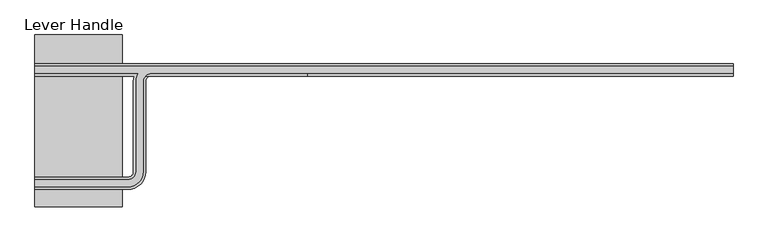
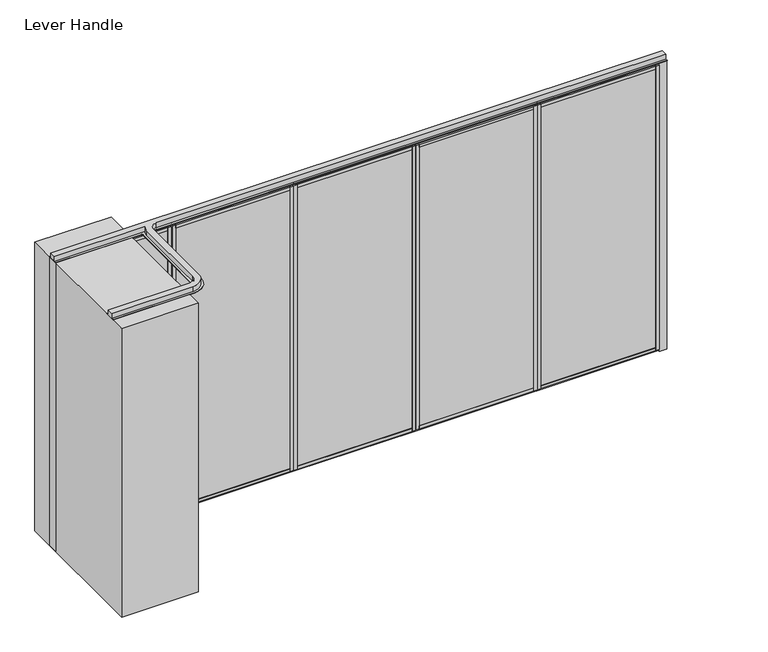
"""IFC4 building model written with IfcOpenShell, lengths in millimetres: proxy geometry, Lever Handle."""

from ifc_helpers import new_model, si_unit, point, frame, frame_2d, origin, origin_with_axes, place, context, project, spatial, polyline, circle_curve, trimmed, segment, composite_curve, outline, extrude, source, transform, mapped, element, save
from ifc_brep_helpers import plane_surface, cylinder_surface, revolved_surface, advanced_brep


def lever_handle_4c6be2f0(model_context):
    return source(origin(), model_context, "Body", "SolidModel", [
        extrude(outline(polyline([(0.0, 9.525), (1144.0795, 9.525), (1144.0795, 0.0), (0.0, 0.0), (0.0, 9.525)])), frame((3320.7370497, -36.5125, 52.3875), z_axis=(0.0, -2.07123207474069e-12, 1.0), x_axis=(-1.0, 0.0, 0.0)), (0.0, 0.0, 1.0), 2940.05),
        extrude(outline(polyline([(3320.7370497, 36.5125), (2176.6575497, 36.5125), (2176.6575497, 44.45), (3320.7370497, 44.45), (3320.7370497, 36.5125)])), frame((0.0, 0.0, 52.3875), z_axis=(0.0, 0.0, 1.0), x_axis=(1.0, 0.0, 0.0)), (0.0, 0.0, 1.0), 2940.05),
        extrude(outline(polyline([(3355.6620497, -34.13125), (2141.7325497, -34.13125), (2141.7325497, 34.13125), (3355.6620497, 34.13125), (3355.6620497, -34.13125)])), origin_with_axes(), (0.0, 0.0, 1.0), 22.225),
        extrude(outline(polyline([(3355.6620497, -34.13125), (2141.7325497, -34.13125), (2141.7325497, 34.13125), (3355.6620497, 34.13125), (3355.6620497, -34.13125)])), frame((0.0, 0.0, 3022.6), z_axis=(0.0, 0.0, 1.0), x_axis=(1.0, 0.0, 0.0)), (0.0, 0.0, 1.0), 22.225),
        extrude(outline(polyline([(2176.6575497, -50.8), (2141.7325497, -50.8), (2141.7325497, 50.8), (2176.6575497, 50.8), (2176.6575497, -50.8)])), frame((0.0, 0.0, 22.225), z_axis=(0.0, 0.0, 1.0), x_axis=(1.0, 0.0, 0.0)), (0.0, 0.0, 1.0), 3000.375),
        extrude(outline(polyline([(3320.7370497, -50.8), (3320.7370497, 50.8), (3355.6620497, 50.8), (3355.6620497, -50.8), (3320.7370497, -50.8)])), frame((0.0, 0.0, 22.225), z_axis=(0.0, 0.0, 1.0), x_axis=(1.0, 0.0, 0.0)), (0.0, 0.0, 1.0), 3000.375),
        extrude(outline(polyline([(36.5125, 2906.7125), (-36.5125, 2906.7125), (-36.5125, 2992.4375), (-50.8, 2992.4375), (-50.8, 3022.6), (50.8, 3022.6), (50.8, 2992.4375), (36.5125, 2992.4375), (36.5125, 2906.7125)])), frame((2176.6575497, 0.0, 0.0), z_axis=(1.0, 0.0, 0.0), x_axis=(0.0, 1.0, 0.0)), (0.0, 0.0, 1.0), 1144.0795),
        extrude(outline(polyline([(50.8, 22.225), (-50.8, 22.225), (-50.8, 52.3875), (-36.5125, 52.3875), (-36.5125, 138.1125), (36.5125, 138.1125), (36.5125, 52.3875), (50.8, 52.3875), (50.8, 22.225)])), frame((2176.6575497, 0.0, 0.0), z_axis=(1.0, 0.0, 0.0), x_axis=(0.0, 1.0, 0.0)), (0.0, 0.0, 1.0), 1144.0795),
        extrude(outline(polyline([(0.0, 9.525), (1144.0795, 9.525), (1144.0795, 0.0), (0.0, 0.0), (0.0, 9.525)])), frame((2106.2995497, -36.5125, 52.3875), z_axis=(0.0, -2.07123207474069e-12, 1.0), x_axis=(-1.0, 0.0, 0.0)), (0.0, 0.0, 1.0), 2940.05),
        extrude(outline(polyline([(2106.2995497, 36.5125), (962.2200497, 36.5125), (962.2200497, 44.45), (2106.2995497, 44.45), (2106.2995497, 36.5125)])), frame((0.0, 0.0, 52.3875), z_axis=(0.0, 0.0, 1.0), x_axis=(1.0, 0.0, 0.0)), (0.0, 0.0, 1.0), 2940.05),
        extrude(outline(polyline([(2141.2245497, -34.13125), (927.2950497, -34.13125), (927.2950497, 34.13125), (2141.2245497, 34.13125), (2141.2245497, -34.13125)])), origin_with_axes(), (0.0, 0.0, 1.0), 22.225),
        extrude(outline(polyline([(2141.2245497, -34.13125), (927.2950497, -34.13125), (927.2950497, 34.13125), (2141.2245497, 34.13125), (2141.2245497, -34.13125)])), frame((0.0, 0.0, 3022.6), z_axis=(0.0, 0.0, 1.0), x_axis=(1.0, 0.0, 0.0)), (0.0, 0.0, 1.0), 22.225),
        extrude(outline(polyline([(962.2200497, -50.8), (927.2950497, -50.8), (927.2950497, 50.8), (962.2200497, 50.8), (962.2200497, -50.8)])), frame((0.0, 0.0, 22.225), z_axis=(0.0, 0.0, 1.0), x_axis=(1.0, 0.0, 0.0)), (0.0, 0.0, 1.0), 3000.375),
        extrude(outline(polyline([(2106.2995497, -50.8), (2106.2995497, 50.8), (2141.2245497, 50.8), (2141.2245497, -50.8), (2106.2995497, -50.8)])), frame((0.0, 0.0, 22.225), z_axis=(0.0, 0.0, 1.0), x_axis=(1.0, 0.0, 0.0)), (0.0, 0.0, 1.0), 3000.375),
        extrude(outline(polyline([(36.5125, 2906.7125), (-36.5125, 2906.7125), (-36.5125, 2992.4375), (-50.8, 2992.4375), (-50.8, 3022.6), (50.8, 3022.6), (50.8, 2992.4375), (36.5125, 2992.4375), (36.5125, 2906.7125)])), frame((962.2200497, 0.0, 0.0), z_axis=(1.0, 0.0, 0.0), x_axis=(0.0, 1.0, 0.0)), (0.0, 0.0, 1.0), 1144.0795),
        extrude(outline(polyline([(50.8, 22.225), (-50.8, 22.225), (-50.8, 52.3875), (-36.5125, 52.3875), (-36.5125, 138.1125), (36.5125, 138.1125), (36.5125, 52.3875), (50.8, 52.3875), (50.8, 22.225)])), frame((962.2200497, 0.0, 0.0), z_axis=(1.0, 0.0, 0.0), x_axis=(0.0, 1.0, 0.0)), (0.0, 0.0, 1.0), 1144.0795),
        extrude(outline(polyline([(0.0, 9.525), (1144.0795, 9.525), (1144.0795, 0.0), (0.0, 0.0), (0.0, 9.525)])), frame((4535.1745497, -36.5125, 52.3875), z_axis=(0.0, -2.07123207474069e-12, 1.0), x_axis=(-1.0, 0.0, 0.0)), (0.0, 0.0, 1.0), 2940.05),
        extrude(outline(polyline([(4535.1745497, 36.5125), (3391.0950497, 36.5125), (3391.0950497, 44.45), (4535.1745497, 44.45), (4535.1745497, 36.5125)])), frame((0.0, 0.0, 52.3875), z_axis=(0.0, 0.0, 1.0), x_axis=(1.0, 0.0, 0.0)), (0.0, 0.0, 1.0), 2940.05),
        extrude(outline(polyline([(4570.0995497, -34.13125), (3356.1700497, -34.13125), (3356.1700497, 34.13125), (4570.0995497, 34.13125), (4570.0995497, -34.13125)])), origin_with_axes(), (0.0, 0.0, 1.0), 22.225),
        extrude(outline(polyline([(4570.0995497, -34.13125), (3356.1700497, -34.13125), (3356.1700497, 34.13125), (4570.0995497, 34.13125), (4570.0995497, -34.13125)])), frame((0.0, 0.0, 3022.6), z_axis=(0.0, 0.0, 1.0), x_axis=(1.0, 0.0, 0.0)), (0.0, 0.0, 1.0), 22.225),
        extrude(outline(polyline([(3391.0950497, -50.8), (3356.1700497, -50.8), (3356.1700497, 50.8), (3391.0950497, 50.8), (3391.0950497, -50.8)])), frame((0.0, 0.0, 22.225), z_axis=(0.0, 0.0, 1.0), x_axis=(1.0, 0.0, 0.0)), (0.0, 0.0, 1.0), 3000.375),
        extrude(outline(polyline([(4535.1745497, -50.8), (4535.1745497, 50.8), (4570.0995497, 50.8), (4570.0995497, -50.8), (4535.1745497, -50.8)])), frame((0.0, 0.0, 22.225), z_axis=(0.0, 0.0, 1.0), x_axis=(1.0, 0.0, 0.0)), (0.0, 0.0, 1.0), 3000.375),
        extrude(outline(polyline([(36.5125, 2906.7125), (-36.5125, 2906.7125), (-36.5125, 2992.4375), (-50.8, 2992.4375), (-50.8, 3022.6), (50.8, 3022.6), (50.8, 2992.4375), (36.5125, 2992.4375), (36.5125, 2906.7125)])), frame((3391.0950497, 0.0, 0.0), z_axis=(1.0, 0.0, 0.0), x_axis=(0.0, 1.0, 0.0)), (0.0, 0.0, 1.0), 1144.0795),
        extrude(outline(polyline([(50.8, 22.225), (-50.8, 22.225), (-50.8, 52.3875), (-36.5125, 52.3875), (-36.5125, 138.1125), (36.5125, 138.1125), (36.5125, 52.3875), (50.8, 52.3875), (50.8, 22.225)])), frame((3391.0950497, 0.0, 0.0), z_axis=(1.0, 0.0, 0.0), x_axis=(0.0, 1.0, 0.0)), (0.0, 0.0, 1.0), 1144.0795),
        extrude(outline(composite_curve([segment(polyline([(1083.6786358, -490.9411058), (1059.8358473, -490.9411058), (1059.8358473, -391.2782498)]), True, "CONTINUOUS"), segment(trimmed(circle_curve(frame_2d((1071.7572415, -391.2782498)), 11.9213943), [point((1059.8358473, -391.2782498))], [point((1083.6786358, -391.2782498))], False, "CARTESIAN"), True, "CONTINUOUS"), segment(polyline([(1083.6786358, -391.2782498), (1083.6786358, -490.9411058)]), True, "CONTINUOUS")], self_intersect=False)), frame((0.0, -50.8, 0.0), z_axis=(0.0, 1.0, 0.0), x_axis=(0.0, 0.0, 1.0)), (0.0, 0.0, 1.0), 25.4),
        extrude(outline(composite_curve([segment(polyline([(1083.6786358, -391.2782498), (1083.6786358, -490.9411058), (1059.8358473, -490.9411058), (1059.8358473, -391.2782498)]), True, "CONTINUOUS"), segment(trimmed(circle_curve(frame_2d((1071.7572415, -391.2782498)), 11.9213943), [point((1059.8358473, -391.2782498))], [point((1083.6786358, -391.2782498))], False, "CARTESIAN"), True, "CONTINUOUS")], self_intersect=False)), frame((0.0, 25.4, 0.0), z_axis=(0.0, 1.0, 0.0), x_axis=(0.0, 0.0, 1.0)), (0.0, 0.0, 1.0), 25.4),
        advanced_brep(
        [(-332.1004503, -50.8, 1144.7161744), (-524.3210098, -50.8, 1144.7161744), (-531.9507021, -50.8, 1137.0864821), (-531.9507021, -50.8, 932.9950734), (-524.3210098, -50.8, 925.3653811), (-332.1004503, -50.8, 925.3653811), (-502.8625001, -50.8, 1123.2576647), (-370.2965959, -50.8, 1123.2576647), (-362.6669035, -50.8, 1115.6279724), (-362.6669035, -50.8, 954.4507219), (-370.2965959, -50.8, 946.8210296), (-502.8625001, -50.8, 946.8210296), (-510.4921924, -50.8, 954.4507219), (-510.4921924, -50.8, 1115.6279724), (-332.1004503, 50.8, 1144.7161744), (-332.1004503, 50.8, 925.3653811), (-524.3210098, 50.8, 925.3653811), (-531.9507021, 50.8, 932.9950734), (-531.9507021, 50.8, 1137.0864821), (-524.3210098, 50.8, 1144.7161744), (-502.8625001, 50.8, 1123.2576647), (-510.4921924, 50.8, 1115.6279724), (-510.4921924, 50.8, 954.4507219), (-502.8625001, 50.8, 946.8210296), (-370.2965959, 50.8, 946.8210296), (-362.6669035, 50.8, 954.4507219), (-362.6669035, 50.8, 1115.6279724), (-370.2965959, 50.8, 1123.2576647), (-489.5463981, 25.4, 1102.7528666), (-489.5463981, 0.0, 1102.7528666), (-497.1043713, 0.0, 1102.7528666), (-497.1043713, 25.4, 1102.7528666), (-387.4992632, 25.4, 1051.352297), (-387.4992632, 0.0, 1051.352297), (-395.0572364, 0.0, 1051.352297), (-395.0572364, 25.4, 1051.352297), (-387.4992632, 25.4, 964.4646931), (-387.4992632, 0.0, 964.4646931), (-395.0572364, 0.0, 964.4646931), (-395.0572364, 25.4, 964.4646931), (-488.5926865, 25.4, 964.4646931), (-488.5926865, 0.0, 964.4646931), (-496.1506598, 0.0, 964.4646931), (-496.1506598, 25.4, 964.4646931), (-370.2965959, 25.4, 1123.2576647), (-362.6669035, 25.4, 1115.6279724), (-362.6669035, 25.4, 954.4507219), (-370.2965959, 25.4, 946.8210296), (-502.8625001, 25.4, 946.8210296), (-510.4921924, 25.4, 954.4507219), (-510.4921924, 25.4, 1115.6279724), (-502.8625001, 25.4, 1123.2576647), (-502.8625001, 0.0, 1123.2576647), (-510.4921924, 0.0, 1115.6279724), (-510.4921924, 0.0, 954.4507219), (-502.8625001, 0.0, 946.8210296), (-370.2965959, 0.0, 946.8210296), (-362.6669035, 0.0, 954.4507219), (-362.6669035, 0.0, 1115.6279724), (-370.2965959, 0.0, 1123.2576647)],
        [
            (0, 1),
            (1, 2, circle_curve(frame((-524.3210098, -50.8, 1137.0864821), z_axis=(0.0, -1.0, 0.0), x_axis=(-1.0, 0.0, 0.0)), 7.6296923)),
            (2, 3),
            (3, 4, circle_curve(frame((-524.3210098, -50.8, 932.9950734), z_axis=(0.0, -1.0, 0.0), x_axis=(-1.0, 0.0, 0.0)), 7.6296923)),
            (4, 5),
            (5, 0),
            (6, 7),
            (7, 8, circle_curve(frame((-370.2965959, -50.8, 1115.6279724), z_axis=(0.0, 1.0, 0.0), x_axis=(-1.0, 0.0, 0.0)), 7.6296923)),
            (8, 9),
            (9, 10, circle_curve(frame((-370.2965959, -50.8, 954.4507219), z_axis=(0.0, 1.0, 0.0), x_axis=(-1.0, 0.0, 0.0)), 7.6296923)),
            (10, 11),
            (11, 12, circle_curve(frame((-502.8625001, -50.8, 954.4507219), z_axis=(0.0, 1.0, 0.0), x_axis=(-1.0, 0.0, 0.0)), 7.6296923)),
            (12, 13),
            (13, 6, circle_curve(frame((-502.8625001, -50.8, 1115.6279724), z_axis=(0.0, 1.0, 0.0), x_axis=(-1.0, 0.0, 0.0)), 7.6296923)),
            (14, 15),
            (15, 16),
            (16, 17, circle_curve(frame((-524.3210098, 50.8, 932.9950734), z_axis=(0.0, 1.0, 0.0), x_axis=(-1.0, 0.0, 0.0)), 7.6296923)),
            (17, 18),
            (18, 19, circle_curve(frame((-524.3210098, 50.8, 1137.0864821), z_axis=(0.0, 1.0, 0.0), x_axis=(-1.0, 0.0, 0.0)), 7.6296923)),
            (19, 14),
            (20, 21, circle_curve(frame((-502.8625001, 50.8, 1115.6279724), z_axis=(0.0, -1.0, 0.0), x_axis=(-1.0, 0.0, 0.0)), 7.6296923)),
            (21, 22),
            (22, 23, circle_curve(frame((-502.8625001, 50.8, 954.4507219), z_axis=(0.0, -1.0, 0.0), x_axis=(-1.0, 0.0, 0.0)), 7.6296923)),
            (23, 24),
            (24, 25, circle_curve(frame((-370.2965959, 50.8, 954.4507219), z_axis=(0.0, -1.0, 0.0), x_axis=(-1.0, 0.0, 0.0)), 7.6296923)),
            (25, 26),
            (26, 27, circle_curve(frame((-370.2965959, 50.8, 1115.6279724), z_axis=(0.0, -1.0, 0.0), x_axis=(-1.0, 0.0, 0.0)), 7.6296923)),
            (27, 20),
            (0, 14),
            (19, 1),
            (18, 2),
            (17, 3),
            (16, 4),
            (15, 5),
            (28, 29),
            (29, 30, circle_curve(frame((-493.3253847, 0.0, 1102.7528666), z_axis=(0.0, -1.0, 0.0), x_axis=(-1.0, 0.0, 0.0)), 3.7789866)),
            (30, 31),
            (31, 28, circle_curve(frame((-493.3253847, 25.4, 1102.7528666), z_axis=(0.0, 1.0, 0.0), x_axis=(-1.0, 0.0, 0.0)), 3.7789866)),
            (30, 29, circle_curve(frame((-493.3253847, 0.0, 1102.7528666), z_axis=(0.0, -1.0, 0.0), x_axis=(-1.0, 0.0, 0.0)), 3.7789866)),
            (28, 31, circle_curve(frame((-493.3253847, 25.4, 1102.7528666), z_axis=(0.0, 1.0, 0.0), x_axis=(-1.0, 0.0, 0.0)), 3.7789866)),
            (32, 33),
            (33, 34, circle_curve(frame((-391.2782498, 0.0, 1051.352297), z_axis=(0.0, -1.0, 0.0), x_axis=(-1.0, 0.0, 0.0)), 3.7789866)),
            (34, 35),
            (35, 32, circle_curve(frame((-391.2782498, 25.4, 1051.352297), z_axis=(0.0, 1.0, 0.0), x_axis=(-1.0, 0.0, 0.0)), 3.7789866)),
            (34, 33, circle_curve(frame((-391.2782498, 0.0, 1051.352297), z_axis=(0.0, -1.0, 0.0), x_axis=(-1.0, 0.0, 0.0)), 3.7789866)),
            (32, 35, circle_curve(frame((-391.2782498, 25.4, 1051.352297), z_axis=(0.0, 1.0, 0.0), x_axis=(-1.0, 0.0, 0.0)), 3.7789866)),
            (36, 37),
            (37, 38, circle_curve(frame((-391.2782498, 0.0, 964.4646931), z_axis=(0.0, -1.0, 0.0), x_axis=(-1.0, 0.0, 0.0)), 3.7789866)),
            (38, 39),
            (39, 36, circle_curve(frame((-391.2782498, 25.4, 964.4646931), z_axis=(0.0, 1.0, 0.0), x_axis=(-1.0, 0.0, 0.0)), 3.7789866)),
            (38, 37, circle_curve(frame((-391.2782498, 0.0, 964.4646931), z_axis=(0.0, -1.0, 0.0), x_axis=(-1.0, 0.0, 0.0)), 3.7789866)),
            (36, 39, circle_curve(frame((-391.2782498, 25.4, 964.4646931), z_axis=(0.0, 1.0, 0.0), x_axis=(-1.0, 0.0, 0.0)), 3.7789866)),
            (40, 41),
            (41, 42, circle_curve(frame((-492.3716732, 0.0, 964.4646931), z_axis=(0.0, -1.0, 0.0), x_axis=(-1.0, 0.0, 0.0)), 3.7789866)),
            (42, 43),
            (43, 40, circle_curve(frame((-492.3716732, 25.4, 964.4646931), z_axis=(0.0, 1.0, 0.0), x_axis=(-1.0, 0.0, 0.0)), 3.7789866)),
            (42, 41, circle_curve(frame((-492.3716732, 0.0, 964.4646931), z_axis=(0.0, -1.0, 0.0), x_axis=(-1.0, 0.0, 0.0)), 3.7789866)),
            (40, 43, circle_curve(frame((-492.3716732, 25.4, 964.4646931), z_axis=(0.0, 1.0, 0.0), x_axis=(-1.0, 0.0, 0.0)), 3.7789866)),
            (44, 45, circle_curve(frame((-370.2965959, 25.4, 1115.6279724), z_axis=(0.0, 1.0, 0.0), x_axis=(-1.0, 0.0, 0.0)), 7.6296923)),
            (45, 46),
            (46, 47, circle_curve(frame((-370.2965959, 25.4, 954.4507219), z_axis=(0.0, 1.0, 0.0), x_axis=(-1.0, 0.0, 0.0)), 7.6296923)),
            (47, 48),
            (48, 49, circle_curve(frame((-502.8625001, 25.4, 954.4507219), z_axis=(0.0, 1.0, 0.0), x_axis=(-1.0, 0.0, 0.0)), 7.6296923)),
            (49, 50),
            (50, 51, circle_curve(frame((-502.8625001, 25.4, 1115.6279724), z_axis=(0.0, 1.0, 0.0), x_axis=(-1.0, 0.0, 0.0)), 7.6296923)),
            (51, 44),
            (51, 20),
            (27, 44),
            (50, 21),
            (49, 22),
            (48, 23),
            (47, 24),
            (46, 25),
            (45, 26),
            (52, 53, circle_curve(frame((-502.8625001, 0.0, 1115.6279724), z_axis=(0.0, -1.0, 0.0), x_axis=(-1.0, 0.0, 0.0)), 7.6296923)),
            (53, 54),
            (54, 55, circle_curve(frame((-502.8625001, 0.0, 954.4507219), z_axis=(0.0, -1.0, 0.0), x_axis=(-1.0, 0.0, 0.0)), 7.6296923)),
            (55, 56),
            (56, 57, circle_curve(frame((-370.2965959, 0.0, 954.4507219), z_axis=(0.0, -1.0, 0.0), x_axis=(-1.0, 0.0, 0.0)), 7.6296923)),
            (57, 58),
            (58, 59, circle_curve(frame((-370.2965959, 0.0, 1115.6279724), z_axis=(0.0, -1.0, 0.0), x_axis=(-1.0, 0.0, 0.0)), 7.6296923)),
            (59, 52),
            (52, 6),
            (13, 53),
            (12, 54),
            (11, 55),
            (10, 56),
            (9, 57),
            (8, 58),
            (7, 59),
        ],
        [
            plane_surface(frame((-524.3210098, -50.8, 1144.7161744), z_axis=(0.0, -1.0, 0.0), x_axis=(1.0, 0.0, 0.0))),
            plane_surface(frame((-524.3210098, 50.8, 1144.7161744), z_axis=(0.0, 1.0, 0.0), x_axis=(-1.0, 0.0, 0.0))),
            plane_surface(frame((-332.1004503, 50.8, 1144.7161744), z_axis=(0.0, 0.0, 1.0), x_axis=(0.0, -1.0, 0.0))),
            cylinder_surface(frame((-524.3210098, -50.8, 1137.0864821), z_axis=(0.0, 1.0, 0.0), x_axis=(-1.0, 0.0, 0.0)), 7.6296923),
            plane_surface(frame((-531.9507021, 50.8, 1137.0864821), z_axis=(-1.0, 0.0, 0.0), x_axis=(0.0, -1.0, 0.0))),
            cylinder_surface(frame((-524.3210098, -50.8, 932.9950734), z_axis=(0.0, 1.0, 0.0), x_axis=(-1.0, 0.0, 0.0)), 7.6296923),
            plane_surface(frame((-524.3210098, 50.8, 925.3653811), z_axis=(0.0, 0.0, -1.0), x_axis=(0.0, -1.0, 0.0))),
            plane_surface(frame((-332.1004503, 50.8, 925.3653811), z_axis=(1.0, 0.0, 0.0), x_axis=(0.0, -1.0, 0.0))),
            revolved_surface(polyline([(-497.10437129999997, 25.4, 1102.7528666), (-497.10437129999997, 0.0, 1102.7528666)]), (-493.3253847, -23.8125, 1102.7528666), (0.0, 1.0, 0.0)),
            revolved_surface(polyline([(-395.0572364, 25.4, 1051.352297), (-395.0572364, 0.0, 1051.352297)]), (-391.2782498, -23.8125, 1051.352297), (0.0, 1.0, 0.0)),
            revolved_surface(polyline([(-395.0572364, 25.4, 964.4646931), (-395.0572364, 0.0, 964.4646931)]), (-391.2782498, -23.8125, 964.4646931), (0.0, 1.0, 0.0)),
            revolved_surface(polyline([(-496.15065979999997, 25.4, 964.4646931), (-496.15065979999997, 0.0, 964.4646931)]), (-492.3716732, -23.8125, 964.4646931), (0.0, 1.0, 0.0)),
            plane_surface(frame((-502.8625001, 25.4, 1123.2576647), z_axis=(0.0, 1.0, 0.0), x_axis=(1.0, 0.0, 0.0))),
            plane_surface(frame((-370.2965959, 50.8, 1123.2576647), z_axis=(0.0, 0.0, -1.0), x_axis=(0.0, -1.0, 0.0))),
            revolved_surface(polyline([(-510.49219239999996, 50.8, 1115.6279724), (-510.49219239999996, 25.4, 1115.6279724)]), (-502.8625001, 25.4, 1115.6279724), (0.0, 1.0, 0.0)),
            plane_surface(frame((-510.4921924, 50.8, 1115.6279724), z_axis=(1.0, 0.0, 0.0), x_axis=(0.0, -1.0, 0.0))),
            revolved_surface(polyline([(-510.49219239999996, 50.8, 954.4507219), (-510.49219239999996, 25.4, 954.4507219)]), (-502.8625001, 25.4, 954.4507219), (0.0, 1.0, 0.0)),
            plane_surface(frame((-502.8625001, 50.8, 946.8210296), z_axis=(0.0, 0.0, 1.0), x_axis=(0.0, -1.0, 0.0))),
            revolved_surface(polyline([(-377.9262882, 50.8, 954.4507219), (-377.9262882, 25.4, 954.4507219)]), (-370.2965959, 25.4, 954.4507219), (0.0, 1.0, 0.0)),
            plane_surface(frame((-362.6669035, 50.8, 954.4507219), z_axis=(-1.0, 0.0, 0.0), x_axis=(0.0, -1.0, 0.0))),
            revolved_surface(polyline([(-377.9262882, 50.8, 1115.6279724), (-377.9262882, 25.4, 1115.6279724)]), (-370.2965959, 25.4, 1115.6279724), (0.0, 1.0, 0.0)),
            plane_surface(frame((-510.4921924, 0.0, 1115.6279724), z_axis=(0.0, -1.0, 0.0), x_axis=(0.0, 0.0, -1.0))),
            revolved_surface(polyline([(-510.49219239999996, 0.0, 1115.6279724), (-510.49219239999996, -50.8, 1115.6279724)]), (-502.8625001, -50.8, 1115.6279724), (0.0, 1.0, 0.0)),
            plane_surface(frame((-510.4921924, 0.0, 1115.6279724), z_axis=(1.0, 0.0, 0.0), x_axis=(0.0, -1.0, 0.0))),
            revolved_surface(polyline([(-510.49219239999996, 0.0, 954.4507219), (-510.49219239999996, -50.8, 954.4507219)]), (-502.8625001, -50.8, 954.4507219), (0.0, 1.0, 0.0)),
            plane_surface(frame((-502.8625001, 0.0, 946.8210296), z_axis=(0.0, 0.0, 1.0), x_axis=(0.0, -1.0, 0.0))),
            revolved_surface(polyline([(-377.9262882, 0.0, 954.4507219), (-377.9262882, -50.8, 954.4507219)]), (-370.2965959, -50.8, 954.4507219), (0.0, 1.0, 0.0)),
            plane_surface(frame((-362.6669035, 0.0, 954.4507219), z_axis=(-1.0, 0.0, 0.0), x_axis=(0.0, -1.0, 0.0))),
            revolved_surface(polyline([(-377.9262882, 0.0, 1115.6279724), (-377.9262882, -50.8, 1115.6279724)]), (-370.2965959, -50.8, 1115.6279724), (0.0, 1.0, 0.0)),
            plane_surface(frame((-370.2965959, 0.0, 1123.2576647), z_axis=(0.0, 0.0, -1.0), x_axis=(0.0, -1.0, 0.0))),
        ],
        [
            (0, [[1, 2, 3, 4, 5, 6], [7, 8, 9, 10, 11, 12, 13, 14]]),
            (1, [[15, 16, 17, 18, 19, 20], [21, 22, 23, 24, 25, 26, 27, 28]]),
            (2, [[29, -20, 30, -1]]),
            (3, [[-30, -19, 31, -2]]),
            (4, [[-31, -18, 32, -3]]),
            (5, [[-32, -17, 33, -4]]),
            (6, [[-33, -16, 34, -5]]),
            (7, [[-34, -15, -29, -6]]),
            (8, [[35, 36, 37, 38]]),
            (8, [[-37, 39, -35, 40]]),
            (9, [[41, 42, 43, 44]]),
            (9, [[-43, 45, -41, 46]]),
            (10, [[47, 48, 49, 50]]),
            (10, [[-49, 51, -47, 52]]),
            (11, [[53, 54, 55, 56]]),
            (11, [[-55, 57, -53, 58]]),
            (12, [[59, 60, 61, 62, 63, 64, 65, 66], [-40, -38], [-46, -44], [-52, -50], [-58, -56]]),
            (13, [[67, -28, 68, -66]]),
            (14, [[69, -21, -67, -65]]),
            (15, [[70, -22, -69, -64]]),
            (16, [[71, -23, -70, -63]]),
            (17, [[72, -24, -71, -62]]),
            (18, [[73, -25, -72, -61]]),
            (19, [[74, -26, -73, -60]]),
            (20, [[-68, -27, -74, -59]]),
            (21, [[75, 76, 77, 78, 79, 80, 81, 82], [-39, -36], [-45, -42], [-51, -48], [-57, -54]]),
            (22, [[83, -14, 84, -75]]),
            (23, [[-84, -13, 85, -76]]),
            (24, [[-85, -12, 86, -77]]),
            (25, [[-86, -11, 87, -78]]),
            (26, [[-87, -10, 88, -79]]),
            (27, [[-88, -9, 89, -80]]),
            (28, [[-89, -8, 90, -81]]),
            (29, [[-90, -7, -83, -82]]),
        ],
    ),
        extrude(outline(polyline([(2992.4375, -332.1004503), (2992.4375, -1328.5424503), (52.3875, -1328.5424503), (52.3875, -332.1004503), (2992.4375, -332.1004503)]), holes=[composite_curve([segment(polyline([(1124.0514147, -503.6562501), (1124.0514147, -369.5028459)]), True, "CONTINUOUS"), segment(trimmed(circle_curve(frame_2d((1116.4217224, -369.5028459)), 7.6296923), [point((1124.0514147, -369.5028459))], [point((1116.4217224, -361.8731535))], True, "CARTESIAN"), True, "CONTINUOUS"), segment(polyline([(1116.4217224, -361.8731535), (953.6569719, -361.8731535)]), True, "CONTINUOUS"), segment(trimmed(circle_curve(frame_2d((953.6569719, -369.5028459)), 7.6296923), [point((953.6569719, -361.8731535))], [point((946.0272796, -369.5028459))], True, "CARTESIAN"), True, "CONTINUOUS"), segment(polyline([(946.0272796, -369.5028459), (946.0272796, -503.6562501)]), True, "CONTINUOUS"), segment(trimmed(circle_curve(frame_2d((953.6569719, -503.6562501)), 7.6296923), [point((946.0272796, -503.6562501))], [point((953.6569719, -511.2859424))], True, "CARTESIAN"), True, "CONTINUOUS"), segment(polyline([(953.6569719, -511.2859424), (1116.4217224, -511.2859424)]), True, "CONTINUOUS"), segment(trimmed(circle_curve(frame_2d((1116.4217224, -503.6562501)), 7.6296923), [point((1116.4217224, -511.2859424))], [point((1124.0514147, -503.6562501))], True, "CARTESIAN"), True, "CONTINUOUS")], self_intersect=False)]), frame((0.0, -46.0375, 0.0), z_axis=(0.0, 1.0, 0.0), x_axis=(0.0, 0.0, 1.0)), (0.0, 0.0, 1.0), 9.525),
        extrude(outline(polyline([(2992.4375, -332.1004503), (2992.4375, -1328.5424503), (52.3875, -1328.5424503), (52.3875, -332.1004503), (2992.4375, -332.1004503)]), holes=[composite_curve([segment(polyline([(1124.0514147, -503.6562501), (1124.0514147, -369.5028459)]), True, "CONTINUOUS"), segment(trimmed(circle_curve(frame_2d((1116.4217224, -369.5028459)), 7.6296923), [point((1124.0514147, -369.5028459))], [point((1116.4217224, -361.8731535))], True, "CARTESIAN"), True, "CONTINUOUS"), segment(polyline([(1116.4217224, -361.8731535), (953.6569719, -361.8731535)]), True, "CONTINUOUS"), segment(trimmed(circle_curve(frame_2d((953.6569719, -369.5028459)), 7.6296923), [point((953.6569719, -361.8731535))], [point((946.0272796, -369.5028459))], True, "CARTESIAN"), True, "CONTINUOUS"), segment(polyline([(946.0272796, -369.5028459), (946.0272796, -503.6562501)]), True, "CONTINUOUS"), segment(trimmed(circle_curve(frame_2d((953.6569719, -503.6562501)), 7.6296923), [point((946.0272796, -503.6562501))], [point((953.6569719, -511.2859424))], True, "CARTESIAN"), True, "CONTINUOUS"), segment(polyline([(953.6569719, -511.2859424), (1116.4217224, -511.2859424)]), True, "CONTINUOUS"), segment(trimmed(circle_curve(frame_2d((1116.4217224, -503.6562501)), 7.6296923), [point((1116.4217224, -511.2859424))], [point((1124.0514147, -503.6562501))], True, "CARTESIAN"), True, "CONTINUOUS")], self_intersect=False)]), frame((0.0, 36.5125, 0.0), z_axis=(0.0, 1.0, 0.0), x_axis=(0.0, 0.0, 1.0)), (0.0, 0.0, 1.0), 7.9375),
        extrude(outline(polyline([(-297.1754503, -34.13125), (-1363.4674503, -34.13125), (-1363.4674503, 34.13125), (-297.1754503, 34.13125), (-297.1754503, -34.13125)])), origin_with_axes(), (0.0, 0.0, 1.0), 22.225),
        extrude(outline(polyline([(-297.1754503, -34.13125), (-1363.4674503, -34.13125), (-1363.4674503, 34.13125), (-297.1754503, 34.13125), (-297.1754503, -34.13125)])), frame((0.0, 0.0, 3022.6), z_axis=(0.0, 0.0, 1.0), x_axis=(1.0, 0.0, 0.0)), (0.0, 0.0, 1.0), 22.225),
        extrude(outline(polyline([(-1328.5424503, -50.8), (-1363.4674503, -50.8), (-1363.4674503, 50.8), (-1328.5424503, 50.8), (-1328.5424503, -50.8)])), frame((0.0, 0.0, 22.225), z_axis=(0.0, 0.0, 1.0), x_axis=(1.0, 0.0, 0.0)), (0.0, 0.0, 1.0), 3000.375),
        extrude(outline(polyline([(-332.1004503, -50.8), (-332.1004503, 50.8), (-297.1754503, 50.8), (-297.1754503, -50.8), (-332.1004503, -50.8)])), frame((0.0, 0.0, 22.225), z_axis=(0.0, 0.0, 1.0), x_axis=(1.0, 0.0, 0.0)), (0.0, 0.0, 1.0), 3000.375),
        extrude(outline(polyline([(36.5125, 2906.7125), (-36.5125, 2906.7125), (-36.5125, 2992.4375), (-50.8, 2992.4375), (-50.8, 3022.6), (50.8, 3022.6), (50.8, 2992.4375), (36.5125, 2992.4375), (36.5125, 2906.7125)])), frame((-1328.5424503, 0.0, 0.0), z_axis=(1.0, 0.0, 0.0), x_axis=(0.0, 1.0, 0.0)), (0.0, 0.0, 1.0), 996.442),
        extrude(outline(polyline([(50.8, 22.225), (-50.8, 22.225), (-50.8, 52.3875), (-36.5125, 52.3875), (-36.5125, 138.1125), (36.5125, 138.1125), (36.5125, 52.3875), (50.8, 52.3875), (50.8, 22.225)])), frame((-1328.5424503, 0.0, 0.0), z_axis=(1.0, 0.0, 0.0), x_axis=(0.0, 1.0, 0.0)), (0.0, 0.0, 1.0), 996.442),
        extrude(outline(polyline([(-1373.2464503, -50.8), (-1449.4464503, -50.8), (-1449.4464503, 50.8), (-1373.2464503, 50.8), (-1373.2464503, -50.8)])), origin_with_axes(), (0.0, 0.0, 1.0), 3044.825),
        extrude(outline(polyline([(4646.5535497, -50.8), (4570.3535497, -50.8), (4570.3535497, 50.8), (4646.5535497, 50.8), (4646.5535497, -50.8)])), origin_with_axes(), (0.0, 0.0, 1.0), 3044.825),
        extrude(outline(polyline([(0.0, 9.525), (1144.0795, 9.525), (1144.0795, 0.0), (0.0, 0.0), (0.0, 9.525)])), frame((891.8620497, -36.5125, 52.3875), z_axis=(0.0, -2.07123207474069e-12, 1.0), x_axis=(-1.0, 0.0, 0.0)), (0.0, 0.0, 1.0), 2940.05),
        extrude(outline(polyline([(891.8620497, 36.5125), (-252.2174503, 36.5125), (-252.2174503, 44.45), (891.8620497, 44.45), (891.8620497, 36.5125)])), frame((0.0, 0.0, 52.3875), z_axis=(0.0, 0.0, 1.0), x_axis=(1.0, 0.0, 0.0)), (0.0, 0.0, 1.0), 2940.05),
        extrude(outline(polyline([(926.7870497, -34.13125), (-287.1424503, -34.13125), (-287.1424503, 34.13125), (926.7870497, 34.13125), (926.7870497, -34.13125)])), origin_with_axes(), (0.0, 0.0, 1.0), 22.225),
        extrude(outline(polyline([(926.7870497, -34.13125), (-287.1424503, -34.13125), (-287.1424503, 34.13125), (926.7870497, 34.13125), (926.7870497, -34.13125)])), frame((0.0, 0.0, 3022.6), z_axis=(0.0, 0.0, 1.0), x_axis=(1.0, 0.0, 0.0)), (0.0, 0.0, 1.0), 22.225),
        extrude(outline(polyline([(-252.2174503, -50.8), (-287.1424503, -50.8), (-287.1424503, 50.8), (-252.2174503, 50.8), (-252.2174503, -50.8)])), frame((0.0, 0.0, 22.225), z_axis=(0.0, 0.0, 1.0), x_axis=(1.0, 0.0, 0.0)), (0.0, 0.0, 1.0), 3000.375),
        extrude(outline(polyline([(891.8620497, -50.8), (891.8620497, 50.8), (926.7870497, 50.8), (926.7870497, -50.8), (891.8620497, -50.8)])), frame((0.0, 0.0, 22.225), z_axis=(0.0, 0.0, 1.0), x_axis=(1.0, 0.0, 0.0)), (0.0, 0.0, 1.0), 3000.375),
        extrude(outline(polyline([(36.5125, 2906.7125), (-36.5125, 2906.7125), (-36.5125, 2992.4375), (-50.8, 2992.4375), (-50.8, 3022.6), (50.8, 3022.6), (50.8, 2992.4375), (36.5125, 2992.4375), (36.5125, 2906.7125)])), frame((-252.2174503, 0.0, 0.0), z_axis=(1.0, 0.0, 0.0), x_axis=(0.0, 1.0, 0.0)), (0.0, 0.0, 1.0), 1144.0795),
        extrude(outline(polyline([(50.8, 22.225), (-50.8, 22.225), (-50.8, 52.3875), (-36.5125, 52.3875), (-36.5125, 138.1125), (36.5125, 138.1125), (36.5125, 52.3875), (50.8, 52.3875), (50.8, 22.225)])), frame((-252.2174503, 0.0, 0.0), z_axis=(1.0, 0.0, 0.0), x_axis=(0.0, 1.0, 0.0)), (0.0, 0.0, 1.0), 1144.0795),
        advanced_brep(
        [(-1449.4464503, -31.75, 3098.8), (-547.0387035, -31.75, 3098.8), (-566.7964503, -101.6, 3098.8), (-566.7964503, -889.0, 3098.8), (-636.6464503, -958.85, 3098.8), (-1449.4464503, -958.85, 3098.8), (-1449.4464503, -1022.35, 3098.8), (-636.6464503, -1022.35, 3098.8), (-503.2964503, -889.0, 3098.8), (-503.2964503, -101.6, 3098.8), (-433.4464503, -31.75, 3098.8), (4646.5535497, -31.75, 3098.8), (4646.5535497, 31.75, 3098.8), (-1449.4464503, 31.75, 3098.8), (4646.5535497, 31.75, 3048.0), (-1449.4464503, 31.75, 3048.0), (-566.7964503, -101.6, 3048.0), (-547.0387035, -31.75, 3048.0), (-1449.4464503, -31.75, 3048.0), (-1449.4464503, -53.975, 3048.0), (-581.5526284, -53.975, 3048.0), (-589.0214503, -101.6, 3048.0), (-589.0214503, -889.0, 3048.0), (-636.6464503, -936.625, 3048.0), (-1449.4464503, -936.625, 3048.0), (-1449.4464503, -958.85, 3048.0), (-636.6464503, -958.85, 3048.0), (-566.7964503, -889.0, 3048.0), (927.0410497, -53.975, 3048.0), (927.0410497, -31.75, 3048.0), (-433.4464503, -31.75, 3048.0), (-484.5432396, -53.975, 3048.0), (-433.4464503, -53.975, 3048.0), (4646.5535497, 53.975, 3048.0), (-1449.4464503, 53.975, 3048.0), (4646.5535497, 53.975, 3044.825), (-1449.4464503, 53.975, 3044.825), (4646.5535497, -53.975, 3044.825), (-433.4464503, -53.975, 3044.825), (-481.0714503, -101.6, 3044.825), (-481.0714503, -889.0, 3044.825), (-636.6464503, -1044.575, 3044.825), (-1449.4464503, -1044.575, 3044.825), (-1449.4464503, -936.625, 3044.825), (-636.6464503, -936.625, 3044.825), (-589.0214503, -889.0, 3044.825), (-589.0214503, -101.6, 3044.825), (-581.5526284, -53.975, 3044.825), (-1449.4464503, -53.975, 3044.825), (4646.5535497, -53.975, 3048.0), (4646.5535497, -31.75, 3048.0), (-503.2964503, -101.6, 3048.0), (-503.2964503, -889.0, 3048.0), (-636.6464503, -1022.35, 3048.0), (-1449.4464503, -1022.35, 3048.0), (-1449.4464503, -1044.575, 3048.0), (-636.6464503, -1044.575, 3048.0), (-481.0714503, -889.0, 3048.0), (-481.0714503, -101.6, 3048.0)],
        [
            (0, 1),
            (1, 2, circle_curve(frame((-433.4464503, -101.6, 3098.8), z_axis=(0.0, 0.0, 1.0), x_axis=(0.0, 1.0, 0.0)), 133.35)),
            (2, 3),
            (3, 4, circle_curve(frame((-636.6464503, -889.0, 3098.8), z_axis=(0.0, 0.0, -1.0), x_axis=(1.0, 0.0, 0.0)), 69.85)),
            (4, 5),
            (5, 6),
            (6, 7),
            (7, 8, circle_curve(frame((-636.6464503, -889.0, 3098.8), z_axis=(0.0, 0.0, 1.0), x_axis=(1.0, 0.0, 0.0)), 133.35)),
            (8, 9),
            (9, 10, circle_curve(frame((-433.4464503, -101.6, 3098.8), z_axis=(0.0, 0.0, -1.0), x_axis=(0.0, 1.0, 0.0)), 69.85)),
            (10, 11),
            (11, 12),
            (12, 13),
            (13, 0),
            (12, 14),
            (14, 15),
            (15, 13),
            (16, 17, circle_curve(frame((-433.4464503, -101.6, 3048.0), z_axis=(0.0, 0.0, -1.0), x_axis=(0.0, 1.0, 0.0)), 133.35)),
            (17, 18),
            (18, 19),
            (19, 20),
            (20, 21, circle_curve(frame((-433.4464503, -101.6, 3048.0), z_axis=(0.0, 0.0, 1.0), x_axis=(0.0, 1.0, 0.0)), 155.575)),
            (21, 22),
            (22, 23, circle_curve(frame((-636.6464503, -889.0, 3048.0), z_axis=(0.0, 0.0, -1.0), x_axis=(1.0, 0.0, 0.0)), 47.625)),
            (23, 24),
            (24, 25),
            (25, 26),
            (26, 27, circle_curve(frame((-636.6464503, -889.0, 3048.0), z_axis=(0.0, 0.0, 1.0), x_axis=(1.0, 0.0, 0.0)), 69.85)),
            (27, 16),
            (28, 29),
            (29, 30),
            (30, 31, circle_curve(frame((-433.4464503, -101.6, 3048.0), z_axis=(0.0, 0.0, 1.0), x_axis=(0.0, 1.0, 0.0)), 69.85)),
            (31, 32),
            (32, 28),
            (14, 33),
            (33, 34),
            (34, 15),
            (33, 35),
            (35, 36),
            (36, 34),
            (35, 37),
            (37, 38),
            (38, 39, circle_curve(frame((-433.4464503, -101.6, 3044.825), z_axis=(0.0, 0.0, 1.0), x_axis=(0.0, 1.0, 0.0)), 47.625)),
            (39, 40),
            (40, 41, circle_curve(frame((-636.6464503, -889.0, 3044.825), z_axis=(0.0, 0.0, -1.0), x_axis=(1.0, 0.0, 0.0)), 155.575)),
            (41, 42),
            (42, 43),
            (43, 44),
            (44, 45, circle_curve(frame((-636.6464503, -889.0, 3044.825), z_axis=(0.0, 0.0, 1.0), x_axis=(1.0, 0.0, 0.0)), 47.625)),
            (45, 46),
            (46, 47, circle_curve(frame((-433.4464503, -101.6, 3044.825), z_axis=(0.0, 0.0, -1.0), x_axis=(0.0, 1.0, 0.0)), 155.575)),
            (47, 48),
            (48, 36),
            (47, 20),
            (19, 48),
            (37, 49),
            (49, 28),
            (32, 38),
            (10, 30),
            (29, 50),
            (50, 11),
            (17, 1),
            (0, 18),
            (50, 49),
            (31, 51, circle_curve(frame((-433.4464503, -101.6, 3048.0), z_axis=(0.0, 0.0, 1.0), x_axis=(0.0, 1.0, 0.0)), 69.85)),
            (51, 52),
            (52, 53, circle_curve(frame((-636.6464503, -889.0, 3048.0), z_axis=(0.0, 0.0, -1.0), x_axis=(1.0, 0.0, 0.0)), 133.35)),
            (53, 54),
            (54, 55),
            (55, 56),
            (56, 57, circle_curve(frame((-636.6464503, -889.0, 3048.0), z_axis=(0.0, 0.0, 1.0), x_axis=(1.0, 0.0, 0.0)), 155.575)),
            (57, 58),
            (58, 32, circle_curve(frame((-433.4464503, -101.6, 3048.0), z_axis=(0.0, 0.0, -1.0), x_axis=(0.0, 1.0, 0.0)), 47.625)),
            (5, 25),
            (24, 43),
            (42, 55),
            (54, 6),
            (16, 2),
            (46, 21),
            (58, 39),
            (9, 51),
            (27, 3),
            (45, 22),
            (57, 40),
            (8, 52),
            (26, 4),
            (44, 23),
            (56, 41),
            (7, 53),
        ],
        [
            plane_surface(frame((927.0410497, -31.75, 3098.8), z_axis=(0.0, 0.0, 1.0), x_axis=(-1.0, 0.0, 0.0))),
            plane_surface(frame((927.0410497, 31.75, 3098.8), z_axis=(0.0, 1.0, 0.0), x_axis=(-1.0, 0.0, 0.0))),
            plane_surface(frame((927.0410497, 31.75, 3048.0), z_axis=(0.0, 0.0, 1.0), x_axis=(-1.0, 0.0, 0.0))),
            plane_surface(frame((927.0410497, 53.975, 3048.0), z_axis=(0.0, 1.0, 0.0), x_axis=(-1.0, 0.0, 0.0))),
            plane_surface(frame((927.0410497, 53.975, 3044.825), z_axis=(0.0, 0.0, -1.0), x_axis=(-1.0, 0.0, 0.0))),
            plane_surface(frame((927.0410497, -53.975, 3044.825), z_axis=(0.0, -1.0, 0.0), x_axis=(-1.0, 0.0, 0.0))),
            plane_surface(frame((927.0410497, -31.75, 3048.0), z_axis=(0.0, -1.0, 0.0), x_axis=(-1.0, 0.0, 0.0))),
            plane_surface(frame((-1449.4464503, 0.0, 0.0), z_axis=(-1.0, 0.0, 0.0), x_axis=(0.0, 0.0, 1.0))),
            plane_surface(frame((4646.5535497, 0.0, 0.0), z_axis=(1.0, 0.0, 0.0), x_axis=(0.0, 0.0, 1.0))),
            plane_surface(frame((4646.5535497, -53.975, 3048.0), z_axis=(0.0, 0.0, 1.0), x_axis=(-1.0, 0.0, 0.0))),
            plane_surface(frame((-1449.4464503, -990.6, 0.0), z_axis=(-1.0, 0.0, 0.0), x_axis=(0.0, 0.0, 1.0))),
            cylinder_surface(frame((-433.4464503, -101.6, 0.0), z_axis=(0.0, 0.0, -1.0), x_axis=(0.0, 1.0, 0.0)), 133.35),
            cylinder_surface(frame((-433.4464503, -101.6, 0.0), z_axis=(0.0, 0.0, -1.0), x_axis=(0.0, 1.0, 0.0)), 155.575),
            revolved_surface(polyline([(-433.4464503, -53.974999999999994, 3044.825), (-433.4464503, -53.974999999999994, 3048.0)]), (-433.4464503, -101.6, 0.0), (0.0, 0.0, -1.0)),
            revolved_surface(polyline([(-433.4464503, -31.75, 3048.0), (-433.4464503, -31.75, 3098.8)]), (-433.4464503, -101.6, 0.0), (0.0, 0.0, -1.0)),
            plane_surface(frame((-566.7964503, -101.6, 3098.8), z_axis=(-1.0, 0.0, 0.0), x_axis=(0.0, -1.0, 0.0))),
            plane_surface(frame((-589.0214503, -101.6, 3048.0), z_axis=(-1.0, 0.0, 0.0), x_axis=(0.0, -1.0, 0.0))),
            plane_surface(frame((-481.0714503, -101.6, 3044.825), z_axis=(1.0, 0.0, 0.0), x_axis=(0.0, -1.0, 0.0))),
            plane_surface(frame((-503.2964503, -101.6, 3048.0), z_axis=(1.0, 0.0, 0.0), x_axis=(0.0, -1.0, 0.0))),
            revolved_surface(polyline([(-566.7964503, -889.0, 3098.8), (-566.7964503, -889.0, 3048.0)]), (-636.6464503, -889.0, 0.0), (0.0, 0.0, 1.0)),
            revolved_surface(polyline([(-589.0214503, -889.0, 3048.0), (-589.0214503, -889.0, 3044.825)]), (-636.6464503, -889.0, 0.0), (0.0, 0.0, 1.0)),
            cylinder_surface(frame((-636.6464503, -889.0, 0.0), z_axis=(0.0, 0.0, 1.0), x_axis=(1.0, 0.0, 0.0)), 155.575),
            cylinder_surface(frame((-636.6464503, -889.0, 0.0), z_axis=(0.0, 0.0, 1.0), x_axis=(1.0, 0.0, 0.0)), 133.35),
            plane_surface(frame((-636.6464503, -958.85, 3098.8), z_axis=(0.0, 1.0, 0.0), x_axis=(-1.0, 0.0, 0.0))),
            plane_surface(frame((-636.6464503, -936.625, 3048.0), z_axis=(0.0, 1.0, 0.0), x_axis=(-1.0, 0.0, 0.0))),
            plane_surface(frame((-636.6464503, -1044.575, 3044.825), z_axis=(0.0, -1.0, 0.0), x_axis=(-1.0, 0.0, 0.0))),
            plane_surface(frame((-636.6464503, -1022.35, 3048.0), z_axis=(0.0, -1.0, 0.0), x_axis=(-1.0, 0.0, 0.0))),
        ],
        [
            (0, [[1, 2, 3, 4, 5, 6, 7, 8, 9, 10, 11, 12, 13, 14]]),
            (1, [[15, 16, 17, -13]]),
            (2, [[18, 19, 20, 21, 22, 23, 24, 25, 26, 27, 28, 29]]),
            (2, [[30, 31, 32, 33, 34]]),
            (2, [[35, 36, 37, -16]]),
            (3, [[38, 39, 40, -36]]),
            (4, [[41, 42, 43, 44, 45, 46, 47, 48, 49, 50, 51, 52, 53, -39]]),
            (5, [[-52, 54, -21, 55]]),
            (5, [[56, 57, -34, 58, -42]]),
            (6, [[59, -31, 60, 61, -11]]),
            (6, [[62, -1, 63, -19]]),
            (7, [[-17, -37, -40, -53, -55, -20, -63, -14]]),
            (8, [[-61, 64, -56, -41, -38, -35, -15, -12]]),
            (9, [[-33, 65, 66, 67, 68, 69, 70, 71, 72, 73]]),
            (9, [[-60, -30, -57, -64]]),
            (10, [[74, -26, 75, -47, 76, -69, 77, -6]]),
            (11, [[-2, -62, -18, 78]]),
            (12, [[-22, -54, -51, 79]]),
            (13, [[-58, -73, 80, -43]]),
            (14, [[81, -65, -32, -59, -10]]),
            (15, [[-78, -29, 82, -3]]),
            (16, [[-79, -50, 83, -23]]),
            (17, [[-80, -72, 84, -44]]),
            (18, [[85, -66, -81, -9]]),
            (19, [[-82, -28, 86, -4]]),
            (20, [[-83, -49, 87, -24]]),
            (21, [[-84, -71, 88, -45]]),
            (22, [[89, -67, -85, -8]]),
            (23, [[-86, -27, -74, -5]]),
            (24, [[-87, -48, -75, -25]]),
            (25, [[-88, -70, -76, -46]]),
            (26, [[-77, -68, -89, -7]]),
        ],
    ),
        extrude(outline(polyline([(-687.4464503, 304.8), (-687.4464503, -1193.8), (-1449.4464503, -1193.8), (-1449.4464503, 304.8), (-687.4464503, 304.8)])), origin_with_axes(), (0.0, 0.0, 1.0), 3044.825),
    ])


if __name__ == "__main__":
    model = new_model("IFC4")
    model_context = context("Model", 3, world=origin())
    ifc_project = project(units=[si_unit("LENGTHUNIT", "METRE", prefix="MILLI")], contexts=[model_context])
    site = spatial("IfcSite", under=ifc_project)
    building = spatial("IfcBuilding", under=site)
    placement = place(None, origin())
    lever_handle_shape = lever_handle_4c6be2f0(model_context)
    element("IfcBuildingElementProxy", 1, Name="Lever Handle", ObjectType="Lever Handle", at=placement, inside=building, context=model_context, shape_type="MappedRepresentation", body=[
        mapped(lever_handle_shape, transform((0.0, 0.0, 0.0), x_axis=(1.0, 0.0, 0.0), y_axis=(0.0, 1.0, 0.0), z_axis=(0.0, 0.0, 1.0))),
    ])
    save(model, "model.ifc")
